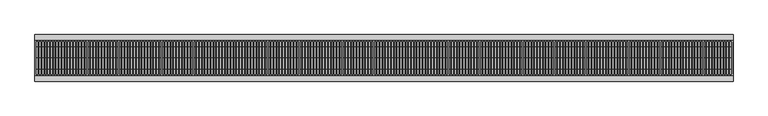
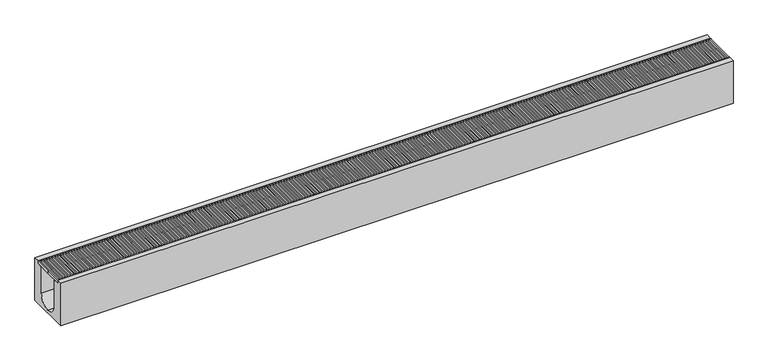
"""IFC4 building model written with IfcOpenShell, lengths in millimetres: proxy geometry."""

from ifc_helpers import new_model, si_unit, point, frame, frame_2d, origin, place, context, project, spatial, polyline, circle_curve, trimmed, segment, composite_curve, outline, extrude, source, transform, mapped, element, save


def generic_models_bf52906c(model_context):
    return source(origin(), model_context, "Body", "SweptSolid", [
        extrude(outline(polyline([(0.0, 150.0), (5987.3796164, 150.0), (5987.3796164, 140.0), (5983.6034919, 140.0), (5983.6034919, -140.0), (5987.3796164, -140.0), (5987.3796164, -150.0), (0.0, -150.0), (0.0, 0.0), (0.0, 150.0)]), holes=[polyline([(1007.3603678, 140.0), (995.941183, 140.0), (995.941183, -140.0), (1007.3603678, -140.0), (1007.3603678, 140.0)]), polyline([(24.5697651, 140.0), (13.1505803, 140.0), (13.1505803, -140.0), (24.5697651, -140.0), (24.5697651, 140.0)]), polyline([(49.1395301, 140.0), (37.7203454, 140.0), (37.7203454, -140.0), (49.1395301, -140.0), (49.1395301, 140.0)]), polyline([(73.7092952, 140.0), (62.2901104, 140.0), (62.2901104, -140.0), (73.7092952, -140.0), (73.7092952, 140.0)]), polyline([(98.2790603, 140.0), (86.8598755, 140.0), (86.8598755, -140.0), (98.2790603, -140.0), (98.2790603, 140.0)]), polyline([(122.8488253, 140.0), (111.4296406, 140.0), (111.4296406, -140.0), (122.8488253, -140.0), (122.8488253, 140.0)]), polyline([(147.4185904, 140.0), (135.9994056, 140.0), (135.9994056, -140.0), (147.4185904, -140.0), (147.4185904, 140.0)]), polyline([(171.9883555, 140.0), (160.5691707, 140.0), (160.5691707, -140.0), (171.9883555, -140.0), (171.9883555, 140.0)]), polyline([(196.5581205, 140.0), (185.1389358, 140.0), (185.1389358, -140.0), (196.5581205, -140.0), (196.5581205, 140.0)]), polyline([(221.1278856, 140.0), (209.7087008, 140.0), (209.7087008, -140.0), (221.1278856, -140.0), (221.1278856, 140.0)]), polyline([(245.6976507, 140.0), (234.2784659, 140.0), (234.2784659, -140.0), (245.6976507, -140.0), (245.6976507, 140.0)]), polyline([(270.2674158, 140.0), (258.848231, 140.0), (258.848231, -140.0), (270.2674158, -140.0), (270.2674158, 140.0)]), polyline([(294.8371808, 140.0), (283.417996, 140.0), (283.417996, -140.0), (294.8371808, -140.0), (294.8371808, 140.0)]), polyline([(319.4069459, 140.0), (307.9877611, 140.0), (307.9877611, -140.0), (319.4069459, -140.0), (319.4069459, 140.0)]), polyline([(343.976711, 140.0), (332.5575262, 140.0), (332.5575262, -140.0), (343.976711, -140.0), (343.976711, 140.0)]), polyline([(368.546476, 140.0), (357.1272912, 140.0), (357.1272912, -140.0), (368.546476, -140.0), (368.546476, 140.0)]), polyline([(393.1162411, 140.0), (381.6970563, 140.0), (381.6970563, -140.0), (393.1162411, -140.0), (393.1162411, 140.0)]), polyline([(417.6860062, 140.0), (406.2668214, 140.0), (406.2668214, -140.0), (417.6860062, -140.0), (417.6860062, 140.0)]), polyline([(442.2557712, 140.0), (430.8365865, 140.0), (430.8365865, -140.0), (442.2557712, -140.0), (442.2557712, 140.0)]), polyline([(466.8255363, 140.0), (455.4063515, 140.0), (455.4063515, -140.0), (466.8255363, -140.0), (466.8255363, 140.0)]), polyline([(491.3953014, 140.0), (479.9761166, 140.0), (479.9761166, -140.0), (491.3953014, -140.0), (491.3953014, 140.0)]), polyline([(515.9650664, 140.0), (504.5458817, 140.0), (504.5458817, -140.0), (515.9650664, -140.0), (515.9650664, 140.0)]), polyline([(540.5348315, 140.0), (529.1156467, 140.0), (529.1156467, -140.0), (540.5348315, -140.0), (540.5348315, 140.0)]), polyline([(565.1045966, 140.0), (553.6854118, 140.0), (553.6854118, -140.0), (565.1045966, -140.0), (565.1045966, 140.0)]), polyline([(589.6743616, 140.0), (578.2551769, 140.0), (578.2551769, -140.0), (589.6743616, -140.0), (589.6743616, 140.0)]), polyline([(614.2441267, 140.0), (602.8249419, 140.0), (602.8249419, -140.0), (614.2441267, -140.0), (614.2441267, 140.0)]), polyline([(638.8138918, 140.0), (627.394707, 140.0), (627.394707, -140.0), (638.8138918, -140.0), (638.8138918, 140.0)]), polyline([(663.3836568, 140.0), (651.9644721, 140.0), (651.9644721, -140.0), (663.3836568, -140.0), (663.3836568, 140.0)]), polyline([(687.9534219, 140.0), (676.5342371, 140.0), (676.5342371, -140.0), (687.9534219, -140.0), (687.9534219, 140.0)]), polyline([(712.523187, 140.0), (701.1040022, 140.0), (701.1040022, -140.0), (712.523187, -140.0), (712.523187, 140.0)]), polyline([(737.092952, 140.0), (725.6737673, 140.0), (725.6737673, -140.0), (737.092952, -140.0), (737.092952, 140.0)]), polyline([(761.6627171, 140.0), (750.2435323, 140.0), (750.2435323, -140.0), (761.6627171, -140.0), (761.6627171, 140.0)]), polyline([(786.2324822, 140.0), (774.8132974, 140.0), (774.8132974, -140.0), (786.2324822, -140.0), (786.2324822, 140.0)]), polyline([(810.8022473, 140.0), (799.3830625, 140.0), (799.3830625, -140.0), (810.8022473, -140.0), (810.8022473, 140.0)]), polyline([(835.3720123, 140.0), (823.9528275, 140.0), (823.9528275, -140.0), (835.3720123, -140.0), (835.3720123, 140.0)]), polyline([(859.9417774, 140.0), (848.5225926, 140.0), (848.5225926, -140.0), (859.9417774, -140.0), (859.9417774, 140.0)]), polyline([(884.5115425, 140.0), (873.0923577, 140.0), (873.0923577, -140.0), (884.5115425, -140.0), (884.5115425, 140.0)]), polyline([(909.0813075, 140.0), (897.6621227, 140.0), (897.6621227, -140.0), (909.0813075, -140.0), (909.0813075, 140.0)]), polyline([(933.6510726, 140.0), (922.2318878, 140.0), (922.2318878, -140.0), (933.6510726, -140.0), (933.6510726, 140.0)]), polyline([(958.2208377, 140.0), (946.8016529, 140.0), (946.8016529, -140.0), (958.2208377, -140.0), (958.2208377, 140.0)]), polyline([(982.7906027, 140.0), (971.371418, 140.0), (971.371418, -140.0), (982.7906027, -140.0), (982.7906027, 140.0)]), polyline([(1031.9301329, 140.0), (1020.5109481, 140.0), (1020.5109481, -140.0), (1031.9301329, -140.0), (1031.9301329, 140.0)]), polyline([(1056.4998979, 140.0), (1045.0807132, 140.0), (1045.0807132, -140.0), (1056.4998979, -140.0), (1056.4998979, 140.0)]), polyline([(1081.069663, 140.0), (1069.6504782, 140.0), (1069.6504782, -140.0), (1081.069663, -140.0), (1081.069663, 140.0)]), polyline([(1105.6394281, 140.0), (1094.2202433, 140.0), (1094.2202433, -140.0), (1105.6394281, -140.0), (1105.6394281, 140.0)]), polyline([(1130.2091931, 140.0), (1118.7900084, 140.0), (1118.7900084, -140.0), (1130.2091931, -140.0), (1130.2091931, 140.0)]), polyline([(1154.7789582, 140.0), (1143.3597734, 140.0), (1143.3597734, -140.0), (1154.7789582, -140.0), (1154.7789582, 140.0)]), polyline([(1179.3487233, 140.0), (1167.9295385, 140.0), (1167.9295385, -140.0), (1179.3487233, -140.0), (1179.3487233, 140.0)]), polyline([(1203.9184883, 140.0), (1192.4993036, 140.0), (1192.4993036, -140.0), (1203.9184883, -140.0), (1203.9184883, 140.0)]), polyline([(1228.4882534, 140.0), (1217.0690686, 140.0), (1217.0690686, -140.0), (1228.4882534, -140.0), (1228.4882534, 140.0)]), polyline([(1253.0580185, 140.0), (1241.6388337, 140.0), (1241.6388337, -140.0), (1253.0580185, -140.0), (1253.0580185, 140.0)]), polyline([(1277.6277835, 140.0), (1266.2085988, 140.0), (1266.2085988, -140.0), (1277.6277835, -140.0), (1277.6277835, 140.0)]), polyline([(1302.1975486, 140.0), (1290.7783638, 140.0), (1290.7783638, -140.0), (1302.1975486, -140.0), (1302.1975486, 140.0)]), polyline([(1326.7673137, 140.0), (1315.3481289, 140.0), (1315.3481289, -140.0), (1326.7673137, -140.0), (1326.7673137, 140.0)]), polyline([(1351.3370788, 140.0), (1339.917894, 140.0), (1339.917894, -140.0), (1351.3370788, -140.0), (1351.3370788, 140.0)]), polyline([(1375.9068438, 140.0), (1364.487659, 140.0), (1364.487659, -140.0), (1375.9068438, -140.0), (1375.9068438, 140.0)]), polyline([(1400.4766089, 140.0), (1389.0574241, 140.0), (1389.0574241, -140.0), (1400.4766089, -140.0), (1400.4766089, 140.0)]), polyline([(1425.046374, 140.0), (1413.6271892, 140.0), (1413.6271892, -140.0), (1425.046374, -140.0), (1425.046374, 140.0)]), polyline([(1449.616139, 140.0), (1438.1969542, 140.0), (1438.1969542, -140.0), (1449.616139, -140.0), (1449.616139, 140.0)]), polyline([(1474.1859041, 140.0), (1462.7667193, 140.0), (1462.7667193, -140.0), (1474.1859041, -140.0), (1474.1859041, 140.0)]), polyline([(1498.7556692, 140.0), (1487.3364844, 140.0), (1487.3364844, -140.0), (1498.7556692, -140.0), (1498.7556692, 140.0)]), polyline([(1523.3254342, 140.0), (1511.9062495, 140.0), (1511.9062495, -140.0), (1523.3254342, -140.0), (1523.3254342, 140.0)]), polyline([(1547.8951993, 140.0), (1536.4760145, 140.0), (1536.4760145, -140.0), (1547.8951993, -140.0), (1547.8951993, 140.0)]), polyline([(1572.4649644, 140.0), (1561.0457796, 140.0), (1561.0457796, -140.0), (1572.4649644, -140.0), (1572.4649644, 140.0)]), polyline([(1597.0347294, 140.0), (1585.6155447, 140.0), (1585.6155447, -140.0), (1597.0347294, -140.0), (1597.0347294, 140.0)]), polyline([(1621.6044945, 140.0), (1610.1853097, 140.0), (1610.1853097, -140.0), (1621.6044945, -140.0), (1621.6044945, 140.0)]), polyline([(1646.1742596, 140.0), (1634.7550748, 140.0), (1634.7550748, -140.0), (1646.1742596, -140.0), (1646.1742596, 140.0)]), polyline([(1670.7440246, 140.0), (1659.3248399, 140.0), (1659.3248399, -140.0), (1670.7440246, -140.0), (1670.7440246, 140.0)]), polyline([(1695.3137897, 140.0), (1683.8946049, 140.0), (1683.8946049, -140.0), (1695.3137897, -140.0), (1695.3137897, 140.0)]), polyline([(1719.8835548, 140.0), (1708.46437, 140.0), (1708.46437, -140.0), (1719.8835548, -140.0), (1719.8835548, 140.0)]), polyline([(1744.4533198, 140.0), (1733.0341351, 140.0), (1733.0341351, -140.0), (1744.4533198, -140.0), (1744.4533198, 140.0)]), polyline([(1769.0230849, 140.0), (1757.6039001, 140.0), (1757.6039001, -140.0), (1769.0230849, -140.0), (1769.0230849, 140.0)]), polyline([(1793.59285, 140.0), (1782.1736652, 140.0), (1782.1736652, -140.0), (1793.59285, -140.0), (1793.59285, 140.0)]), polyline([(1818.162615, 140.0), (1806.7434303, 140.0), (1806.7434303, -140.0), (1818.162615, -140.0), (1818.162615, 140.0)]), polyline([(1842.7323801, 140.0), (1831.3131953, 140.0), (1831.3131953, -140.0), (1842.7323801, -140.0), (1842.7323801, 140.0)]), polyline([(1867.3021452, 140.0), (1855.8829604, 140.0), (1855.8829604, -140.0), (1867.3021452, -140.0), (1867.3021452, 140.0)]), polyline([(1891.8719103, 140.0), (1880.4527255, 140.0), (1880.4527255, -140.0), (1891.8719103, -140.0), (1891.8719103, 140.0)]), polyline([(1916.4416753, 140.0), (1905.0224905, 140.0), (1905.0224905, -140.0), (1916.4416753, -140.0), (1916.4416753, 140.0)]), polyline([(1941.0114404, 140.0), (1929.5922556, 140.0), (1929.5922556, -140.0), (1941.0114404, -140.0), (1941.0114404, 140.0)]), polyline([(1965.5812055, 140.0), (1954.1620207, 140.0), (1954.1620207, -140.0), (1965.5812055, -140.0), (1965.5812055, 140.0)]), polyline([(1990.1509705, 140.0), (1978.7317857, 140.0), (1978.7317857, -140.0), (1990.1509705, -140.0), (1990.1509705, 140.0)]), polyline([(2014.7207356, 140.0), (2003.3015508, 140.0), (2003.3015508, -140.0), (2014.7207356, -140.0), (2014.7207356, 140.0)]), polyline([(2039.2905007, 140.0), (2027.8713159, 140.0), (2027.8713159, -140.0), (2039.2905007, -140.0), (2039.2905007, 140.0)]), polyline([(2063.8602657, 140.0), (2052.441081, 140.0), (2052.441081, -140.0), (2063.8602657, -140.0), (2063.8602657, 140.0)]), polyline([(2088.4300308, 140.0), (2077.010846, 140.0), (2077.010846, -140.0), (2088.4300308, -140.0), (2088.4300308, 140.0)]), polyline([(2112.9997959, 140.0), (2101.5806111, 140.0), (2101.5806111, -140.0), (2112.9997959, -140.0), (2112.9997959, 140.0)]), polyline([(2137.5695609, 140.0), (2126.1503762, 140.0), (2126.1503762, -140.0), (2137.5695609, -140.0), (2137.5695609, 140.0)]), polyline([(2162.139326, 140.0), (2150.7201412, 140.0), (2150.7201412, -140.0), (2162.139326, -140.0), (2162.139326, 140.0)]), polyline([(2186.7090911, 140.0), (2175.2899063, 140.0), (2175.2899063, -140.0), (2186.7090911, -140.0), (2186.7090911, 140.0)]), polyline([(2211.2788561, 140.0), (2199.8596714, 140.0), (2199.8596714, -140.0), (2211.2788561, -140.0), (2211.2788561, 140.0)]), polyline([(2235.8486212, 140.0), (2224.4294364, 140.0), (2224.4294364, -140.0), (2235.8486212, -140.0), (2235.8486212, 140.0)]), polyline([(2260.4183863, 140.0), (2248.9992015, 140.0), (2248.9992015, -140.0), (2260.4183863, -140.0), (2260.4183863, 140.0)]), polyline([(2284.9881513, 140.0), (2273.5689666, 140.0), (2273.5689666, -140.0), (2284.9881513, -140.0), (2284.9881513, 140.0)]), polyline([(2309.5579164, 140.0), (2298.1387316, 140.0), (2298.1387316, -140.0), (2309.5579164, -140.0), (2309.5579164, 140.0)]), polyline([(2334.1276815, 140.0), (2322.7084967, 140.0), (2322.7084967, -140.0), (2334.1276815, -140.0), (2334.1276815, 140.0)]), polyline([(2358.6974466, 140.0), (2347.2782618, 140.0), (2347.2782618, -140.0), (2358.6974466, -140.0), (2358.6974466, 140.0)]), polyline([(2383.2672116, 140.0), (2371.8480268, 140.0), (2371.8480268, -140.0), (2383.2672116, -140.0), (2383.2672116, 140.0)]), polyline([(2407.8369767, 140.0), (2396.4177919, 140.0), (2396.4177919, -140.0), (2407.8369767, -140.0), (2407.8369767, 140.0)]), polyline([(2432.4067418, 140.0), (2420.987557, 140.0), (2420.987557, -140.0), (2432.4067418, -140.0), (2432.4067418, 140.0)]), polyline([(2456.9765068, 140.0), (2445.557322, 140.0), (2445.557322, -140.0), (2456.9765068, -140.0), (2456.9765068, 140.0)]), polyline([(2481.5462719, 140.0), (2470.1270871, 140.0), (2470.1270871, -140.0), (2481.5462719, -140.0), (2481.5462719, 140.0)]), polyline([(2506.116037, 140.0), (2494.6968522, 140.0), (2494.6968522, -140.0), (2506.116037, -140.0), (2506.116037, 140.0)]), polyline([(2530.685802, 140.0), (2519.2666173, 140.0), (2519.2666173, -140.0), (2530.685802, -140.0), (2530.685802, 140.0)]), polyline([(2555.2555671, 140.0), (2543.8363823, 140.0), (2543.8363823, -140.0), (2555.2555671, -140.0), (2555.2555671, 140.0)]), polyline([(2579.8253322, 140.0), (2568.4061474, 140.0), (2568.4061474, -140.0), (2579.8253322, -140.0), (2579.8253322, 140.0)]), polyline([(2604.3950972, 140.0), (2592.9759125, 140.0), (2592.9759125, -140.0), (2604.3950972, -140.0), (2604.3950972, 140.0)]), polyline([(2628.9648623, 140.0), (2617.5456775, 140.0), (2617.5456775, -140.0), (2628.9648623, -140.0), (2628.9648623, 140.0)]), polyline([(2653.5346274, 140.0), (2642.1154426, 140.0), (2642.1154426, -140.0), (2653.5346274, -140.0), (2653.5346274, 140.0)]), polyline([(2678.1043924, 140.0), (2666.6852077, 140.0), (2666.6852077, -140.0), (2678.1043924, -140.0), (2678.1043924, 140.0)]), polyline([(2702.6741575, 140.0), (2691.2549727, 140.0), (2691.2549727, -140.0), (2702.6741575, -140.0), (2702.6741575, 140.0)]), polyline([(2727.2439226, 140.0), (2715.8247378, 140.0), (2715.8247378, -140.0), (2727.2439226, -140.0), (2727.2439226, 140.0)]), polyline([(2751.8136876, 140.0), (2740.3945029, 140.0), (2740.3945029, -140.0), (2751.8136876, -140.0), (2751.8136876, 140.0)]), polyline([(2776.3834527, 140.0), (2764.9642679, 140.0), (2764.9642679, -140.0), (2776.3834527, -140.0), (2776.3834527, 140.0)]), polyline([(2800.9532178, 140.0), (2789.534033, 140.0), (2789.534033, -140.0), (2800.9532178, -140.0), (2800.9532178, 140.0)]), polyline([(2825.5229828, 140.0), (2814.1037981, 140.0), (2814.1037981, -140.0), (2825.5229828, -140.0), (2825.5229828, 140.0)]), polyline([(2850.0927479, 140.0), (2838.6735631, 140.0), (2838.6735631, -140.0), (2850.0927479, -140.0), (2850.0927479, 140.0)]), polyline([(2874.662513, 140.0), (2863.2433282, 140.0), (2863.2433282, -140.0), (2874.662513, -140.0), (2874.662513, 140.0)]), polyline([(2899.2322781, 140.0), (2887.8130933, 140.0), (2887.8130933, -140.0), (2899.2322781, -140.0), (2899.2322781, 140.0)]), polyline([(2923.8020431, 140.0), (2912.3828583, 140.0), (2912.3828583, -140.0), (2923.8020431, -140.0), (2923.8020431, 140.0)]), polyline([(2948.3718082, 140.0), (2936.9526234, 140.0), (2936.9526234, -140.0), (2948.3718082, -140.0), (2948.3718082, 140.0)]), polyline([(2972.9415733, 140.0), (2961.5223885, 140.0), (2961.5223885, -140.0), (2972.9415733, -140.0), (2972.9415733, 140.0)]), polyline([(2997.5113383, 140.0), (2986.0921535, 140.0), (2986.0921535, -140.0), (2997.5113383, -140.0), (2997.5113383, 140.0)]), polyline([(3022.0811034, 140.0), (3010.6619186, 140.0), (3010.6619186, -140.0), (3022.0811034, -140.0), (3022.0811034, 140.0)]), polyline([(3046.6508685, 140.0), (3035.2316837, 140.0), (3035.2316837, -140.0), (3046.6508685, -140.0), (3046.6508685, 140.0)]), polyline([(3071.2206335, 140.0), (3059.8014488, 140.0), (3059.8014488, -140.0), (3071.2206335, -140.0), (3071.2206335, 140.0)]), polyline([(3095.7903986, 140.0), (3084.3712138, 140.0), (3084.3712138, -140.0), (3095.7903986, -140.0), (3095.7903986, 140.0)]), polyline([(3120.3601637, 140.0), (3108.9409789, 140.0), (3108.9409789, -140.0), (3120.3601637, -140.0), (3120.3601637, 140.0)]), polyline([(3144.9299287, 140.0), (3133.510744, 140.0), (3133.510744, -140.0), (3144.9299287, -140.0), (3144.9299287, 140.0)]), polyline([(3169.4996938, 140.0), (3158.080509, 140.0), (3158.080509, -140.0), (3169.4996938, -140.0), (3169.4996938, 140.0)]), polyline([(3194.0694589, 140.0), (3182.6502741, 140.0), (3182.6502741, -140.0), (3194.0694589, -140.0), (3194.0694589, 140.0)]), polyline([(3218.6392239, 140.0), (3207.2200392, 140.0), (3207.2200392, -140.0), (3218.6392239, -140.0), (3218.6392239, 140.0)]), polyline([(3243.208989, 140.0), (3231.7898042, 140.0), (3231.7898042, -140.0), (3243.208989, -140.0), (3243.208989, 140.0)]), polyline([(3267.7787541, 140.0), (3256.3595693, 140.0), (3256.3595693, -140.0), (3267.7787541, -140.0), (3267.7787541, 140.0)]), polyline([(3292.3485191, 140.0), (3280.9293344, 140.0), (3280.9293344, -140.0), (3292.3485191, -140.0), (3292.3485191, 140.0)]), polyline([(3316.9182842, 140.0), (3305.4990994, 140.0), (3305.4990994, -140.0), (3316.9182842, -140.0), (3316.9182842, 140.0)]), polyline([(3341.4880493, 140.0), (3330.0688645, 140.0), (3330.0688645, -140.0), (3341.4880493, -140.0), (3341.4880493, 140.0)]), polyline([(3366.0578143, 140.0), (3354.6386296, 140.0), (3354.6386296, -140.0), (3366.0578143, -140.0), (3366.0578143, 140.0)]), polyline([(3390.6275794, 140.0), (3379.2083946, 140.0), (3379.2083946, -140.0), (3390.6275794, -140.0), (3390.6275794, 140.0)]), polyline([(3415.1973445, 140.0), (3403.7781597, 140.0), (3403.7781597, -140.0), (3415.1973445, -140.0), (3415.1973445, 140.0)]), polyline([(3439.7671096, 140.0), (3428.3479248, 140.0), (3428.3479248, -140.0), (3439.7671096, -140.0), (3439.7671096, 140.0)]), polyline([(3464.3368746, 140.0), (3452.9176898, 140.0), (3452.9176898, -140.0), (3464.3368746, -140.0), (3464.3368746, 140.0)]), polyline([(3488.9066397, 140.0), (3477.4874549, 140.0), (3477.4874549, -140.0), (3488.9066397, -140.0), (3488.9066397, 140.0)]), polyline([(3513.4764048, 140.0), (3502.05722, 140.0), (3502.05722, -140.0), (3513.4764048, -140.0), (3513.4764048, 140.0)]), polyline([(3538.0461698, 140.0), (3526.626985, 140.0), (3526.626985, -140.0), (3538.0461698, -140.0), (3538.0461698, 140.0)]), polyline([(3562.6159349, 140.0), (3551.1967501, 140.0), (3551.1967501, -140.0), (3562.6159349, -140.0), (3562.6159349, 140.0)]), polyline([(3587.1857, 140.0), (3575.7665152, 140.0), (3575.7665152, -140.0), (3587.1857, -140.0), (3587.1857, 140.0)]), polyline([(3611.755465, 140.0), (3600.3362803, 140.0), (3600.3362803, -140.0), (3611.755465, -140.0), (3611.755465, 140.0)]), polyline([(3636.3252301, 140.0), (3624.9060453, 140.0), (3624.9060453, -140.0), (3636.3252301, -140.0), (3636.3252301, 140.0)]), polyline([(3660.8949952, 140.0), (3649.4758104, 140.0), (3649.4758104, -140.0), (3660.8949952, -140.0), (3660.8949952, 140.0)]), polyline([(3685.4647602, 140.0), (3674.0455755, 140.0), (3674.0455755, -140.0), (3685.4647602, -140.0), (3685.4647602, 140.0)]), polyline([(3710.0345253, 140.0), (3698.6153405, 140.0), (3698.6153405, -140.0), (3710.0345253, -140.0), (3710.0345253, 140.0)]), polyline([(3734.6042904, 140.0), (3723.1851056, 140.0), (3723.1851056, -140.0), (3734.6042904, -140.0), (3734.6042904, 140.0)]), polyline([(3759.1740554, 140.0), (3747.7548707, 140.0), (3747.7548707, -140.0), (3759.1740554, -140.0), (3759.1740554, 140.0)]), polyline([(3783.7438205, 140.0), (3772.3246357, 140.0), (3772.3246357, -140.0), (3783.7438205, -140.0), (3783.7438205, 140.0)]), polyline([(3808.3135856, 140.0), (3796.8944008, 140.0), (3796.8944008, -140.0), (3808.3135856, -140.0), (3808.3135856, 140.0)]), polyline([(3832.8833506, 140.0), (3821.4641659, 140.0), (3821.4641659, -140.0), (3832.8833506, -140.0), (3832.8833506, 140.0)]), polyline([(3857.4531157, 140.0), (3846.0339309, 140.0), (3846.0339309, -140.0), (3857.4531157, -140.0), (3857.4531157, 140.0)]), polyline([(3882.0228808, 140.0), (3870.603696, 140.0), (3870.603696, -140.0), (3882.0228808, -140.0), (3882.0228808, 140.0)]), polyline([(3906.5926459, 140.0), (3895.1734611, 140.0), (3895.1734611, -140.0), (3906.5926459, -140.0), (3906.5926459, 140.0)]), polyline([(3931.1624109, 140.0), (3919.7432261, 140.0), (3919.7432261, -140.0), (3931.1624109, -140.0), (3931.1624109, 140.0)]), polyline([(3955.732176, 140.0), (3944.3129912, 140.0), (3944.3129912, -140.0), (3955.732176, -140.0), (3955.732176, 140.0)]), polyline([(3980.3019411, 140.0), (3968.8827563, 140.0), (3968.8827563, -140.0), (3980.3019411, -140.0), (3980.3019411, 140.0)]), polyline([(4004.8717061, 140.0), (3993.4525213, 140.0), (3993.4525213, -140.0), (4004.8717061, -140.0), (4004.8717061, 140.0)]), polyline([(4029.4414712, 140.0), (4018.0222864, 140.0), (4018.0222864, -140.0), (4029.4414712, -140.0), (4029.4414712, 140.0)]), polyline([(4054.0112363, 140.0), (4042.5920515, 140.0), (4042.5920515, -140.0), (4054.0112363, -140.0), (4054.0112363, 140.0)]), polyline([(4078.5810013, 140.0), (4067.1618165, 140.0), (4067.1618165, -140.0), (4078.5810013, -140.0), (4078.5810013, 140.0)]), polyline([(4103.1507664, 140.0), (4091.7315816, 140.0), (4091.7315816, -140.0), (4103.1507664, -140.0), (4103.1507664, 140.0)]), polyline([(4127.7205315, 140.0), (4116.3013467, 140.0), (4116.3013467, -140.0), (4127.7205315, -140.0), (4127.7205315, 140.0)]), polyline([(4152.2902965, 140.0), (4140.8711118, 140.0), (4140.8711118, -140.0), (4152.2902965, -140.0), (4152.2902965, 140.0)]), polyline([(4176.8600616, 140.0), (4165.4408768, 140.0), (4165.4408768, -140.0), (4176.8600616, -140.0), (4176.8600616, 140.0)]), polyline([(4201.4298267, 140.0), (4190.0106419, 140.0), (4190.0106419, -140.0), (4201.4298267, -140.0), (4201.4298267, 140.0)]), polyline([(4225.9995917, 140.0), (4214.580407, 140.0), (4214.580407, -140.0), (4225.9995917, -140.0), (4225.9995917, 140.0)]), polyline([(4250.5693568, 140.0), (4239.150172, 140.0), (4239.150172, -140.0), (4250.5693568, -140.0), (4250.5693568, 140.0)]), polyline([(4275.1391219, 140.0), (4263.7199371, 140.0), (4263.7199371, -140.0), (4275.1391219, -140.0), (4275.1391219, 140.0)]), polyline([(4299.7088869, 140.0), (4288.2897022, 140.0), (4288.2897022, -140.0), (4299.7088869, -140.0), (4299.7088869, 140.0)]), polyline([(4324.278652, 140.0), (4312.8594672, 140.0), (4312.8594672, -140.0), (4324.278652, -140.0), (4324.278652, 140.0)]), polyline([(4348.8484171, 140.0), (4337.4292323, 140.0), (4337.4292323, -140.0), (4348.8484171, -140.0), (4348.8484171, 140.0)]), polyline([(4373.4181821, 140.0), (4361.9989974, 140.0), (4361.9989974, -140.0), (4373.4181821, -140.0), (4373.4181821, 140.0)]), polyline([(4397.9879472, 140.0), (4386.5687624, 140.0), (4386.5687624, -140.0), (4397.9879472, -140.0), (4397.9879472, 140.0)]), polyline([(4422.5577123, 140.0), (4411.1385275, 140.0), (4411.1385275, -140.0), (4422.5577123, -140.0), (4422.5577123, 140.0)]), polyline([(4447.1274774, 140.0), (4435.7082926, 140.0), (4435.7082926, -140.0), (4447.1274774, -140.0), (4447.1274774, 140.0)]), polyline([(4471.6972424, 140.0), (4460.2780576, 140.0), (4460.2780576, -140.0), (4471.6972424, -140.0), (4471.6972424, 140.0)]), polyline([(4496.2670075, 140.0), (4484.8478227, 140.0), (4484.8478227, -140.0), (4496.2670075, -140.0), (4496.2670075, 140.0)]), polyline([(4520.8367726, 140.0), (4509.4175878, 140.0), (4509.4175878, -140.0), (4520.8367726, -140.0), (4520.8367726, 140.0)]), polyline([(4545.4065376, 140.0), (4533.9873528, 140.0), (4533.9873528, -140.0), (4545.4065376, -140.0), (4545.4065376, 140.0)]), polyline([(4569.9763027, 140.0), (4558.5571179, 140.0), (4558.5571179, -140.0), (4569.9763027, -140.0), (4569.9763027, 140.0)]), polyline([(4594.5460678, 140.0), (4583.126883, 140.0), (4583.126883, -140.0), (4594.5460678, -140.0), (4594.5460678, 140.0)]), polyline([(4619.1158328, 140.0), (4607.6966481, 140.0), (4607.6966481, -140.0), (4619.1158328, -140.0), (4619.1158328, 140.0)]), polyline([(4643.6855979, 140.0), (4632.2664131, 140.0), (4632.2664131, -140.0), (4643.6855979, -140.0), (4643.6855979, 140.0)]), polyline([(4668.255363, 140.0), (4656.8361782, 140.0), (4656.8361782, -140.0), (4668.255363, -140.0), (4668.255363, 140.0)]), polyline([(4692.825128, 140.0), (4681.4059433, 140.0), (4681.4059433, -140.0), (4692.825128, -140.0), (4692.825128, 140.0)]), polyline([(4717.3948931, 140.0), (4705.9757083, 140.0), (4705.9757083, -140.0), (4717.3948931, -140.0), (4717.3948931, 140.0)]), polyline([(4741.9646582, 140.0), (4730.5454734, 140.0), (4730.5454734, -140.0), (4741.9646582, -140.0), (4741.9646582, 140.0)]), polyline([(4766.5344232, 140.0), (4755.1152385, 140.0), (4755.1152385, -140.0), (4766.5344232, -140.0), (4766.5344232, 140.0)]), polyline([(4791.1041883, 140.0), (4779.6850035, 140.0), (4779.6850035, -140.0), (4791.1041883, -140.0), (4791.1041883, 140.0)]), polyline([(4815.6739534, 140.0), (4804.2547686, 140.0), (4804.2547686, -140.0), (4815.6739534, -140.0), (4815.6739534, 140.0)]), polyline([(4840.2437184, 140.0), (4828.8245337, 140.0), (4828.8245337, -140.0), (4840.2437184, -140.0), (4840.2437184, 140.0)]), polyline([(4864.8134835, 140.0), (4853.3942987, 140.0), (4853.3942987, -140.0), (4864.8134835, -140.0), (4864.8134835, 140.0)]), polyline([(4889.3832486, 140.0), (4877.9640638, 140.0), (4877.9640638, -140.0), (4889.3832486, -140.0), (4889.3832486, 140.0)]), polyline([(4913.9530136, 140.0), (4902.5338289, 140.0), (4902.5338289, -140.0), (4913.9530136, -140.0), (4913.9530136, 140.0)]), polyline([(4938.5227787, 140.0), (4927.1035939, 140.0), (4927.1035939, -140.0), (4938.5227787, -140.0), (4938.5227787, 140.0)]), polyline([(4963.0925438, 140.0), (4951.673359, 140.0), (4951.673359, -140.0), (4963.0925438, -140.0), (4963.0925438, 140.0)]), polyline([(4987.6623089, 140.0), (4976.2431241, 140.0), (4976.2431241, -140.0), (4987.6623089, -140.0), (4987.6623089, 140.0)]), polyline([(5012.2320739, 140.0), (5000.8128891, 140.0), (5000.8128891, -140.0), (5012.2320739, -140.0), (5012.2320739, 140.0)]), polyline([(5036.801839, 140.0), (5025.3826542, 140.0), (5025.3826542, -140.0), (5036.801839, -140.0), (5036.801839, 140.0)]), polyline([(5061.3716041, 140.0), (5049.9524193, 140.0), (5049.9524193, -140.0), (5061.3716041, -140.0), (5061.3716041, 140.0)]), polyline([(5085.9413691, 140.0), (5074.5221843, 140.0), (5074.5221843, -140.0), (5085.9413691, -140.0), (5085.9413691, 140.0)]), polyline([(5110.5111342, 140.0), (5099.0919494, 140.0), (5099.0919494, -140.0), (5110.5111342, -140.0), (5110.5111342, 140.0)]), polyline([(5135.0808993, 140.0), (5123.6617145, 140.0), (5123.6617145, -140.0), (5135.0808993, -140.0), (5135.0808993, 140.0)]), polyline([(5159.6506643, 140.0), (5148.2314796, 140.0), (5148.2314796, -140.0), (5159.6506643, -140.0), (5159.6506643, 140.0)]), polyline([(5184.2204294, 140.0), (5172.8012446, 140.0), (5172.8012446, -140.0), (5184.2204294, -140.0), (5184.2204294, 140.0)]), polyline([(5208.7901945, 140.0), (5197.3710097, 140.0), (5197.3710097, -140.0), (5208.7901945, -140.0), (5208.7901945, 140.0)]), polyline([(5233.3599595, 140.0), (5221.9407748, 140.0), (5221.9407748, -140.0), (5233.3599595, -140.0), (5233.3599595, 140.0)]), polyline([(5257.9297246, 140.0), (5246.5105398, 140.0), (5246.5105398, -140.0), (5257.9297246, -140.0), (5257.9297246, 140.0)]), polyline([(5282.4994897, 140.0), (5271.0803049, 140.0), (5271.0803049, -140.0), (5282.4994897, -140.0), (5282.4994897, 140.0)]), polyline([(5307.0692547, 140.0), (5295.65007, 140.0), (5295.65007, -140.0), (5307.0692547, -140.0), (5307.0692547, 140.0)]), polyline([(5331.6390198, 140.0), (5320.219835, 140.0), (5320.219835, -140.0), (5331.6390198, -140.0), (5331.6390198, 140.0)]), polyline([(5356.2087849, 140.0), (5344.7896001, 140.0), (5344.7896001, -140.0), (5356.2087849, -140.0), (5356.2087849, 140.0)]), polyline([(5380.7785499, 140.0), (5369.3593652, 140.0), (5369.3593652, -140.0), (5380.7785499, -140.0), (5380.7785499, 140.0)]), polyline([(5405.348315, 140.0), (5393.9291302, 140.0), (5393.9291302, -140.0), (5405.348315, -140.0), (5405.348315, 140.0)]), polyline([(5429.9180801, 140.0), (5418.4988953, 140.0), (5418.4988953, -140.0), (5429.9180801, -140.0), (5429.9180801, 140.0)]), polyline([(5454.4878451, 140.0), (5443.0686604, 140.0), (5443.0686604, -140.0), (5454.4878451, -140.0), (5454.4878451, 140.0)]), polyline([(5479.0576102, 140.0), (5467.6384254, 140.0), (5467.6384254, -140.0), (5479.0576102, -140.0), (5479.0576102, 140.0)]), polyline([(5503.6273753, 140.0), (5492.2081905, 140.0), (5492.2081905, -140.0), (5503.6273753, -140.0), (5503.6273753, 140.0)]), polyline([(5528.1971404, 140.0), (5516.7779556, 140.0), (5516.7779556, -140.0), (5528.1971404, -140.0), (5528.1971404, 140.0)]), polyline([(5552.7669054, 140.0), (5541.3477206, 140.0), (5541.3477206, -140.0), (5552.7669054, -140.0), (5552.7669054, 140.0)]), polyline([(5577.3366705, 140.0), (5565.9174857, 140.0), (5565.9174857, -140.0), (5577.3366705, -140.0), (5577.3366705, 140.0)]), polyline([(5601.9064356, 140.0), (5590.4872508, 140.0), (5590.4872508, -140.0), (5601.9064356, -140.0), (5601.9064356, 140.0)]), polyline([(5626.4762006, 140.0), (5615.0570158, 140.0), (5615.0570158, -140.0), (5626.4762006, -140.0), (5626.4762006, 140.0)]), polyline([(5651.0459657, 140.0), (5639.6267809, 140.0), (5639.6267809, -140.0), (5651.0459657, -140.0), (5651.0459657, 140.0)]), polyline([(5675.6157308, 140.0), (5664.196546, 140.0), (5664.196546, -140.0), (5675.6157308, -140.0), (5675.6157308, 140.0)]), polyline([(5700.1854958, 140.0), (5688.7663111, 140.0), (5688.7663111, -140.0), (5700.1854958, -140.0), (5700.1854958, 140.0)]), polyline([(5724.7552609, 140.0), (5713.3360761, 140.0), (5713.3360761, -140.0), (5724.7552609, -140.0), (5724.7552609, 140.0)]), polyline([(5749.325026, 140.0), (5737.9058412, 140.0), (5737.9058412, -140.0), (5749.325026, -140.0), (5749.325026, 140.0)]), polyline([(5773.894791, 140.0), (5762.4756063, 140.0), (5762.4756063, -140.0), (5773.894791, -140.0), (5773.894791, 140.0)]), polyline([(5798.4645561, 140.0), (5787.0453713, 140.0), (5787.0453713, -140.0), (5798.4645561, -140.0), (5798.4645561, 140.0)]), polyline([(5823.0343212, 140.0), (5811.6151364, 140.0), (5811.6151364, -140.0), (5823.0343212, -140.0), (5823.0343212, 140.0)]), polyline([(5847.6040862, 140.0), (5836.1849015, 140.0), (5836.1849015, -140.0), (5847.6040862, -140.0), (5847.6040862, 140.0)]), polyline([(5872.1738513, 140.0), (5860.7546665, 140.0), (5860.7546665, -140.0), (5872.1738513, -140.0), (5872.1738513, 140.0)]), polyline([(5896.7436164, 140.0), (5885.3244316, 140.0), (5885.3244316, -140.0), (5896.7436164, -140.0), (5896.7436164, 140.0)]), polyline([(5921.3133814, 140.0), (5909.8941967, 140.0), (5909.8941967, -140.0), (5921.3133814, -140.0), (5921.3133814, 140.0)]), polyline([(5945.8831465, 140.0), (5934.4639617, 140.0), (5934.4639617, -140.0), (5945.8831465, -140.0), (5945.8831465, 140.0)]), polyline([(5970.4529116, 140.0), (5959.0337268, 140.0), (5959.0337268, -140.0), (5970.4529116, -140.0), (5970.4529116, 140.0)])]), frame((0.0, 0.0, -25.0), z_axis=(0.0, 0.0, 1.0), x_axis=(1.0, 0.0, 0.0)), (0.0, 0.0, 1.0), 25.0),
        extrude(outline(composite_curve([segment(polyline([(200.0, 0.0), (200.0, -400.0), (-200.0, -400.0), (-200.0, 0.0), (-150.0, 0.0), (-150.0, -25.0), (-100.0, -25.0), (-100.0, -275.0)]), True, "CONTINUOUS"), segment(trimmed(circle_curve(frame_2d((0.0, -275.0)), 100.0), [point((-100.0, -275.0))], [point((0.0, -375.0))], True, "CARTESIAN"), True, "CONTINUOUS"), segment(trimmed(circle_curve(frame_2d((0.0, -275.0)), 100.0), [point((0.0, -375.0))], [point((100.0, -275.0))], True, "CARTESIAN"), True, "CONTINUOUS"), segment(polyline([(100.0, -275.0), (100.0, -25.0), (150.0, -25.0), (150.0, 0.0), (200.0, 0.0)]), True, "CONTINUOUS")], self_intersect=False)), frame((0.0, 0.0, 0.0), z_axis=(1.0, 0.0, 0.0), x_axis=(0.0, 1.0, 0.0)), (0.0, 0.0, 1.0), 5987.3796164),
    ])


if __name__ == "__main__":
    model = new_model("IFC4")
    model_context = context("Model", 3, world=origin())
    ifc_project = project(units=[si_unit("LENGTHUNIT", "METRE", prefix="MILLI")], contexts=[model_context])
    site = spatial("IfcSite", under=ifc_project)
    building = spatial("IfcBuilding", under=site)
    placement = place(None, origin())
    generic_models_shape = generic_models_bf52906c(model_context)
    element("IfcBuildingElementProxy", 1, Name="Generic Models", at=placement, inside=building, context=model_context, shape_type="MappedRepresentation", body=[
        mapped(generic_models_shape, transform((0.0, 0.0, 0.0), x_axis=(1.0, 0.0, 0.0), y_axis=(0.0, 1.0, 0.0), z_axis=(0.0, 0.0, 1.0))),
    ])
    save(model, "model.ifc")
